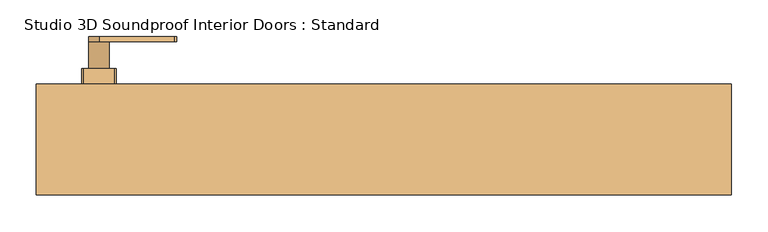
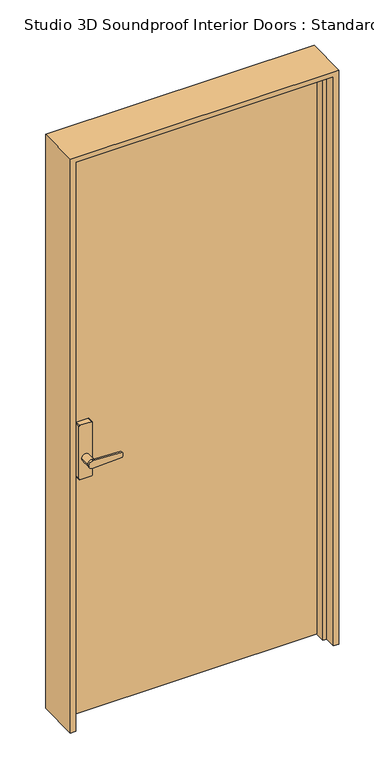
"""IFC4 building model written with IfcOpenShell, lengths in millimetres: door geometry, Studio 3D Soundproof Interior Doors : Standard."""

from ifc_helpers import new_model, si_unit, point, frame, frame_2d, origin, origin_with_axes, place, context, project, spatial, polyline, circle_curve, trimmed, segment, composite_curve, outline, extrude, faceted_brep, source, transform, mapped, element, save


def studio_3d_soundproof_interior_doors_standard_cf80eb9f(model_context):
    return source(origin(), model_context, "Body", "SolidModel", [
        extrude(outline(composite_curve([segment(polyline([(980.8500629, -286.9976429), (985.5940156, -390.5562374)]), True, "CONTINUOUS"), segment(trimmed(circle_curve(frame_2d((971.3540529, -390.5282704)), 14.2399902), [point((985.5940156, -390.5562374))], [point((957.1140902, -390.5562374))], False, "CARTESIAN"), True, "CONTINUOUS"), segment(polyline([(957.1140902, -390.5562374), (961.858043, -286.9976429)]), True, "CONTINUOUS"), segment(trimmed(circle_curve(frame_2d((971.3540529, -301.4004793)), 17.2515478), [point((961.858043, -286.9976429))], [point((980.8500629, -286.9976429))], False, "CARTESIAN"), True, "CONTINUOUS")], self_intersect=False)), frame((0.0, 210.9687888, 0.0), z_axis=(0.0, 1.0, 0.0), x_axis=(0.0, 0.0, 1.0)), (0.0, 0.0, 1.0), 6.9288506),
        extrude(outline(composite_curve([segment(trimmed(circle_curve(frame_2d((971.3540529, -390.5282704)), 14.2399902), [point((971.3540529, -376.2882802))], [point((971.3540529, -404.7682606))], False, "CARTESIAN"), True, "CONTINUOUS"), segment(trimmed(circle_curve(frame_2d((971.3540529, -390.5282704)), 14.2399902), [point((971.3540529, -404.7682606))], [point((971.3540529, -376.2882802))], False, "CARTESIAN"), True, "CONTINUOUS")], self_intersect=False)), frame((0.0, 173.6582345, 0.0), z_axis=(0.0, 1.0, 0.0), x_axis=(0.0, 0.0, 1.0)), (0.0, 0.0, 1.0), 37.3105543),
        extrude(outline(composite_curve([segment(trimmed(circle_curve(frame_2d((1094.8021823, -411.2261984)), 3.1653366), [point((1097.9675189, -411.2261984))], [point((1094.8021823, -414.391535))], False, "CARTESIAN"), True, "CONTINUOUS"), segment(polyline([(1094.8021823, -414.391535), (898.1753792, -414.391535)]), True, "CONTINUOUS"), segment(trimmed(circle_curve(frame_2d((898.1753792, -411.2261984)), 3.1653366), [point((898.1753792, -414.391535))], [point((895.0100425, -411.2261984))], False, "CARTESIAN"), True, "CONTINUOUS"), segment(polyline([(895.0100425, -411.2261984), (895.0100425, -369.8238016)]), True, "CONTINUOUS"), segment(trimmed(circle_curve(frame_2d((898.1753792, -369.8238016)), 3.1653366), [point((895.0100425, -369.8238016))], [point((898.1753792, -366.658465))], False, "CARTESIAN"), True, "CONTINUOUS"), segment(polyline([(898.1753792, -366.658465), (1094.8021823, -366.658465)]), True, "CONTINUOUS"), segment(trimmed(circle_curve(frame_2d((1094.8021823, -369.8238016)), 3.1653366), [point((1094.8021823, -366.658465))], [point((1097.9675189, -369.8238016))], False, "CARTESIAN"), True, "CONTINUOUS"), segment(polyline([(1097.9675189, -369.8238016), (1097.9675189, -411.2261984)]), True, "CONTINUOUS")], self_intersect=False)), frame((0.0, 152.4, 0.0), z_axis=(0.0, 1.0, 0.0), x_axis=(0.0, 0.0, 1.0)), (0.0, 0.0, 1.0), 21.2582345),
        extrude(outline(composite_curve([segment(polyline([(980.8500629, -286.9976429), (985.5940156, -390.5562374)]), True, "CONTINUOUS"), segment(trimmed(circle_curve(frame_2d((971.3540529, -390.5282704)), 14.2399902), [point((985.5940156, -390.5562374))], [point((957.1140902, -390.5562374))], False, "CARTESIAN"), True, "CONTINUOUS"), segment(polyline([(957.1140902, -390.5562374), (961.858043, -286.9976429)]), True, "CONTINUOUS"), segment(trimmed(circle_curve(frame_2d((971.3540529, -301.4004793)), 17.2515478), [point((961.858043, -286.9976429))], [point((980.8500629, -286.9976429))], False, "CARTESIAN"), True, "CONTINUOUS")], self_intersect=False)), frame((0.0, 10.0433876, 0.0), z_axis=(0.0, 1.0, 0.0), x_axis=(0.0, 0.0, 1.0)), (0.0, 0.0, 1.0), 6.9288506),
        extrude(outline(composite_curve([segment(trimmed(circle_curve(frame_2d((971.3540529, -390.5282704)), 14.2399902), [point((971.3540529, -376.2882802))], [point((971.3540529, -404.7682606))], False, "CARTESIAN"), True, "CONTINUOUS"), segment(trimmed(circle_curve(frame_2d((971.3540529, -390.5282704)), 14.2399902), [point((971.3540529, -404.7682606))], [point((971.3540529, -376.2882802))], False, "CARTESIAN"), True, "CONTINUOUS")], self_intersect=False)), frame((0.0, 16.9722383, 0.0), z_axis=(0.0, 1.0, 0.0), x_axis=(0.0, 0.0, 1.0)), (0.0, 0.0, 1.0), 37.3105543),
        extrude(outline(composite_curve([segment(trimmed(circle_curve(frame_2d((1094.8021823, -411.2261984)), 3.1653366), [point((1097.9675189, -411.2261984))], [point((1094.8021823, -414.391535))], False, "CARTESIAN"), True, "CONTINUOUS"), segment(polyline([(1094.8021823, -414.391535), (898.1753792, -414.391535)]), True, "CONTINUOUS"), segment(trimmed(circle_curve(frame_2d((898.1753792, -411.2261984)), 3.1653366), [point((898.1753792, -414.391535))], [point((895.0100425, -411.2261984))], False, "CARTESIAN"), True, "CONTINUOUS"), segment(polyline([(895.0100425, -411.2261984), (895.0100425, -369.8238016)]), True, "CONTINUOUS"), segment(trimmed(circle_curve(frame_2d((898.1753792, -369.8238016)), 3.1653366), [point((895.0100425, -369.8238016))], [point((898.1753792, -366.658465))], False, "CARTESIAN"), True, "CONTINUOUS"), segment(polyline([(898.1753792, -366.658465), (1094.8021823, -366.658465)]), True, "CONTINUOUS"), segment(trimmed(circle_curve(frame_2d((1094.8021823, -369.8238016)), 3.1653366), [point((1094.8021823, -366.658465))], [point((1097.9675189, -369.8238016))], False, "CARTESIAN"), True, "CONTINUOUS"), segment(polyline([(1097.9675189, -369.8238016), (1097.9675189, -411.2261984)]), True, "CONTINUOUS")], self_intersect=False)), frame((0.0, 54.2827925, 0.0), z_axis=(0.0, 1.0, 0.0), x_axis=(0.0, 0.0, 1.0)), (0.0, 0.0, 1.0), 21.2582345),
        extrude(outline(polyline([(457.2000762, 80.9623381), (-457.2000762, 80.9623381), (-457.2000762, 152.4), (457.2000762, 152.4), (457.2000762, 80.9623381)])), origin_with_axes(), (0.0, 0.0, 1.0), 2133.8977325),
        faceted_brep([(-476.25, 0.0, 0.0), (-476.25, 152.4, 0.0), (-457.2000762, 152.4, 0.0), (-457.2000762, 80.9623381, 0.0), (-444.4999238, 80.9623381, 0.0), (-444.4999238, 42.8622492, 0.0), (-457.2000176, 42.8622492, 0.0), (-457.2000176, 0.0, 0.0), (-476.25, 0.0, 2152.9476562), (-476.25, 152.4, 2152.9476562), (476.25, 152.4, 2152.9476562), (476.25, 152.4, 0.0), (457.2000762, 152.4, 0.0), (457.2000762, 152.4, 2133.8977325), (-457.2000762, 152.4, 2133.8977325), (-457.2000762, 80.9623381, 2133.8977325), (457.2000762, 80.9623381, 2133.8977325), (457.2000762, 80.9623381, 0.0), (444.4999238, 80.9623381, 0.0), (444.4999238, 80.9623381, 2121.1975801), (-444.4999238, 80.9623381, 2121.1975801), (-444.4999238, 42.8622492, 2121.1975801), (444.4999238, 42.8622492, 2121.1975801), (444.4999238, 42.8622492, 0.0), (457.2000176, 42.8622492, 0.0), (457.2000176, 42.8622492, 2133.8976738), (-457.2000176, 42.8622492, 2133.8976738), (-457.2000176, 0.0, 2133.8976738), (457.2000176, 0.0, 2133.8976738), (457.2000176, 0.0, 0.0), (476.25, 0.0, 0.0), (476.25, 0.0, 2152.9476562)], [[[0, 1, 2, 3, 4, 5, 6, 7]], [[1, 0, 8, 9]], [[2, 1, 9, 10, 11, 12, 13, 14]], [[3, 2, 14, 15]], [[4, 3, 15, 16, 17, 18, 19, 20]], [[5, 4, 20, 21]], [[6, 5, 21, 22, 23, 24, 25, 26]], [[7, 6, 26, 27]], [[0, 7, 27, 28, 29, 30, 31, 8]], [[10, 31, 30, 11]], [[30, 29, 24, 23, 18, 17, 12, 11]], [[16, 13, 12, 17]], [[22, 19, 18, 23]], [[28, 25, 24, 29]], [[9, 8, 31, 10]], [[15, 14, 13, 16]], [[21, 20, 19, 22]], [[27, 26, 25, 28]]]),
    ])


if __name__ == "__main__":
    model = new_model("IFC4")
    model_context = context("Model", 3, world=origin())
    ifc_project = project(units=[si_unit("LENGTHUNIT", "METRE", prefix="MILLI")], contexts=[model_context])
    site = spatial("IfcSite", under=ifc_project)
    building = spatial("IfcBuilding", under=site)
    placement = place(None, origin())
    studio_3d_soundproof_interior_doors_standard_shape = studio_3d_soundproof_interior_doors_standard_cf80eb9f(model_context)
    element("IfcDoor", 1, ObjectType="Studio 3D Soundproof Interior Doors : Standard", at=placement, inside=building, context=model_context, shape_type="MappedRepresentation", body=[
        mapped(studio_3d_soundproof_interior_doors_standard_shape, transform((0.0, 0.0, 0.0), x_axis=(1.0, 0.0, 0.0), y_axis=(0.0, 1.0, 0.0), z_axis=(0.0, 0.0, 1.0))),
    ])
    save(model, "model.ifc")
